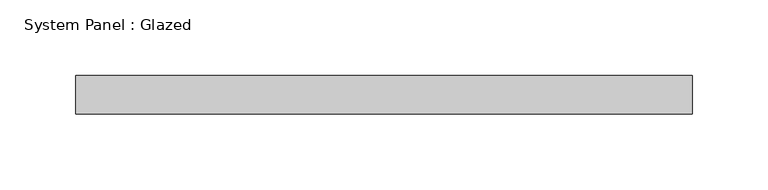
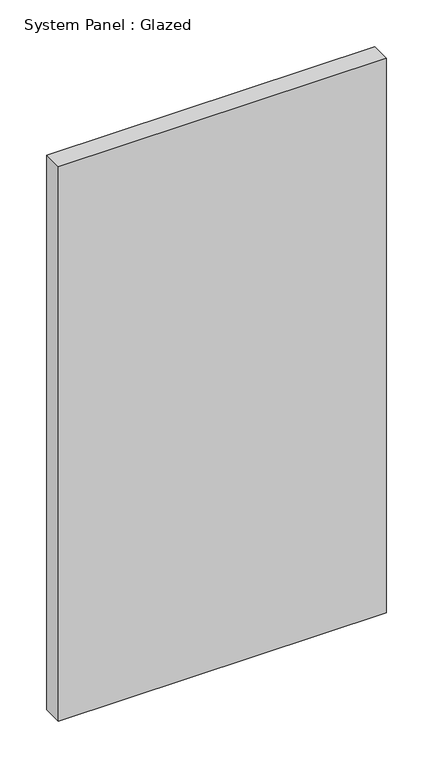
"""IFC4 building model written with IfcOpenShell, lengths in millimetres: plate geometry, System Panel : Glazed."""

from ifc_helpers import new_model, si_unit, origin, origin_with_axes, place, context, project, spatial, polyline, outline, extrude, source, transform, mapped, element, save


def system_panel_glazed_6fc34092(model_context):
    return source(origin(), model_context, "Body", "SweptSolid", [
        extrude(outline(polyline([(203.25, -44.45), (-203.25, -44.45), (-203.25, -19.05), (203.25, -19.05), (203.25, -44.45)])), origin_with_axes(), (0.0, 0.0, 1.0), 726.5),
    ])


if __name__ == "__main__":
    model = new_model("IFC4")
    model_context = context("Model", 3, world=origin())
    ifc_project = project(units=[si_unit("LENGTHUNIT", "METRE", prefix="MILLI")], contexts=[model_context])
    site = spatial("IfcSite", under=ifc_project)
    building = spatial("IfcBuilding", under=site)
    placement = place(None, origin())
    system_panel_glazed_shape = system_panel_glazed_6fc34092(model_context)
    element("IfcPlate", 1, ObjectType="System Panel : Glazed", at=placement, inside=building, context=model_context, shape_type="MappedRepresentation", body=[
        mapped(system_panel_glazed_shape, transform((0.0, 0.0, 0.0), x_axis=(1.0, 0.0, 0.0), y_axis=(0.0, 1.0, 0.0), z_axis=(0.0, 0.0, 1.0))),
    ])
    save(model, "model.ifc")
